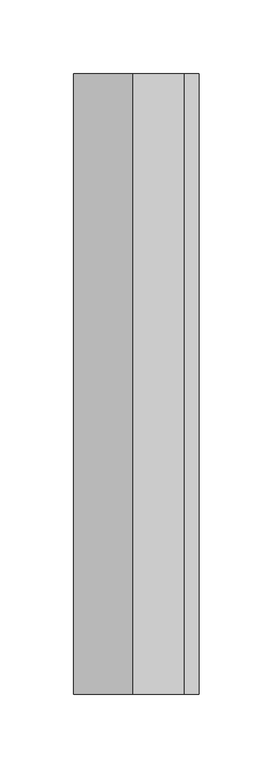
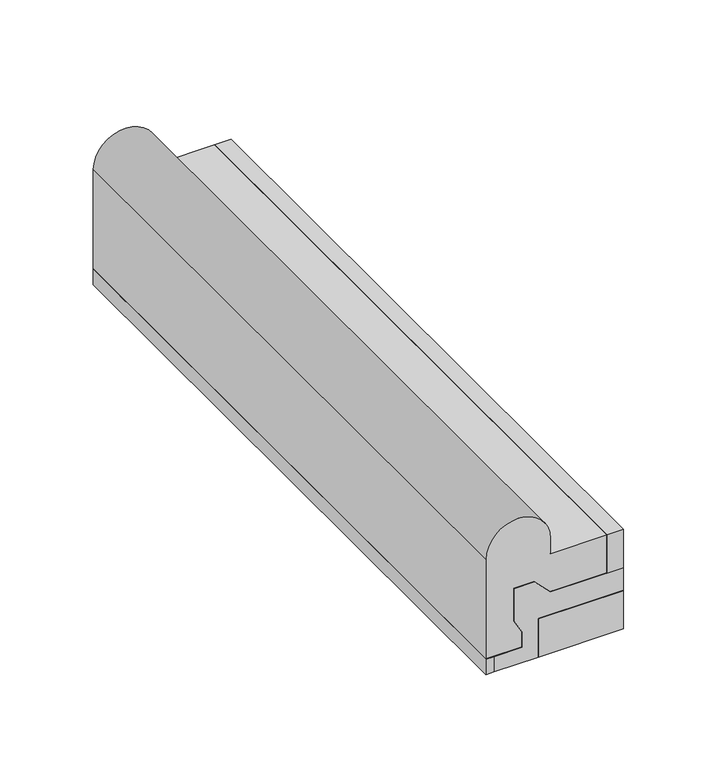
"""IFC4 building model written with IfcOpenShell, lengths in millimetres: proxy geometry."""

from ifc_helpers import new_model, si_unit, point, frame, frame_2d, origin, origin_with_axes, place, context, project, spatial, polyline, circle_curve, trimmed, segment, composite_curve, outline, extrude, source, transform, mapped, element, save


def generic_models_aa8e25c2(model_context):
    return source(origin(), model_context, "Body", "SweptSolid", [
        extrude(outline(polyline([(32.5062786, 210.0), (85.0, 210.0), (85.0, -210.0), (32.5062786, -210.0), (32.5062786, 210.0)])), origin_with_axes(), (0.0, 0.0, 1.0), 25.0),
        extrude(outline(polyline([(75.0, 210.0), (85.0, 210.0), (85.0, -210.0), (75.0, -210.0), (75.0, 210.0)])), frame((0.0, 0.0, 40.0), z_axis=(0.0, 0.0, 1.0), x_axis=(1.0, 0.0, 0.0)), (0.0, 0.0, 1.0), 25.0),
        extrude(outline(polyline([(0.0, 210.0), (5.0, 210.0), (5.0, -210.0), (0.0, -210.0), (0.0, 210.0)])), origin_with_axes(), (0.0, 0.0, 1.0), 10.0),
        extrude(outline(polyline([(10.0, 22.5), (10.0, 5.0), (0.0, 5.0), (0.0, 32.5062786), (25.0, 32.5062786), (25.0, 85.0), (40.0, 85.0), (40.0, 40.0), (50.0, 30.0), (50.0, 17.5062786), (28.6493791, 17.5062786), (20.0, 22.5), (10.0, 22.5)])), frame((0.0, -210.0, 0.0), z_axis=(0.0, 1.0, 0.0), x_axis=(0.0, 0.0, 1.0)), (0.0, 0.0, 1.0), 420.0),
        extrude(outline(composite_curve([segment(polyline([(65.0, 40.0), (75.0, 40.0)]), True, "CONTINUOUS"), segment(trimmed(circle_curve(frame_2d((75.0, 20.0)), 20.0), [point((75.0, 40.0))], [point((75.0, 0.0))], False, "CARTESIAN"), True, "CONTINUOUS"), segment(polyline([(75.0, 0.0), (10.0, 0.0), (10.0, 22.5), (20.0, 22.5), (28.6493791, 17.5062786), (50.0, 17.5062786), (50.0, 30.0), (40.0, 40.0), (40.0, 75.0), (65.0, 75.0), (65.0, 40.0)]), True, "CONTINUOUS")], self_intersect=False)), frame((0.0, -210.0, 0.0), z_axis=(0.0, 1.0, 0.0), x_axis=(0.0, 0.0, 1.0)), (0.0, 0.0, 1.0), 420.0),
    ])


if __name__ == "__main__":
    model = new_model("IFC4")
    model_context = context("Model", 3, world=origin())
    ifc_project = project(units=[si_unit("LENGTHUNIT", "METRE", prefix="MILLI")], contexts=[model_context])
    site = spatial("IfcSite", under=ifc_project)
    building = spatial("IfcBuilding", under=site)
    placement = place(None, origin())
    generic_models_shape = generic_models_aa8e25c2(model_context)
    element("IfcBuildingElementProxy", 1, Name="Generic Models", at=placement, inside=building, context=model_context, shape_type="MappedRepresentation", body=[
        mapped(generic_models_shape, transform((0.0, 0.0, 0.0), x_axis=(1.0, 0.0, 0.0), y_axis=(0.0, 1.0, 0.0), z_axis=(0.0, 0.0, 1.0))),
    ])
    save(model, "model.ifc")
